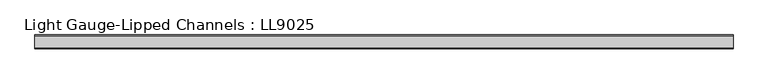
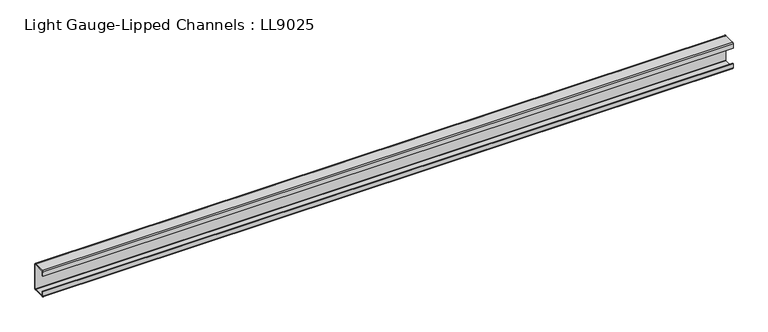
"""IFC4 building model written with IfcOpenShell, lengths in millimetres: beam geometry, Light Gauge-Lipped Channels : LL9025."""

from ifc_helpers import new_model, si_unit, point, frame, frame_2d, origin, place, context, project, spatial, polyline, circle_curve, trimmed, segment, composite_curve, outline, extrude, source, transform, mapped, element, save


def light_gauge_lipped_channels_ll9025_a7cbf48c(model_context):
    return source(origin(), model_context, "Body", "SweptSolid", [
        extrude(outline(composite_curve([segment(trimmed(circle_curve(frame_2d((14.7, -41.5)), 3.5), [point((18.2, -41.5))], [point((14.7, -45.0))], False, "CARTESIAN"), True, "CONTINUOUS"), segment(polyline([(14.7, -45.0), (-23.3, -45.0)]), True, "CONTINUOUS"), segment(trimmed(circle_curve(frame_2d((-23.3, -41.5)), 3.5), [point((-23.3, -45.0))], [point((-26.8, -41.5))], False, "CARTESIAN"), True, "CONTINUOUS"), segment(polyline([(-26.8, -41.5), (-26.8, -27.0), (-24.3, -27.0), (-24.3, -41.5)]), True, "CONTINUOUS"), segment(trimmed(circle_curve(frame_2d((-23.3, -41.5)), 1.0), [point((-24.3, -41.5))], [point((-23.3, -42.5))], True, "CARTESIAN"), True, "CONTINUOUS"), segment(polyline([(-23.3, -42.5), (14.7, -42.5)]), True, "CONTINUOUS"), segment(trimmed(circle_curve(frame_2d((14.7, -41.5)), 1.0), [point((14.7, -42.5))], [point((15.7, -41.5))], True, "CARTESIAN"), True, "CONTINUOUS"), segment(polyline([(15.7, -41.5), (15.7, 41.5)]), True, "CONTINUOUS"), segment(trimmed(circle_curve(frame_2d((14.7, 41.5)), 1.0), [point((15.7, 41.5))], [point((14.7, 42.5))], True, "CARTESIAN"), True, "CONTINUOUS"), segment(polyline([(14.7, 42.5), (-23.3, 42.5)]), True, "CONTINUOUS"), segment(trimmed(circle_curve(frame_2d((-23.3, 41.5)), 1.0), [point((-23.3, 42.5))], [point((-24.3, 41.5))], True, "CARTESIAN"), True, "CONTINUOUS"), segment(polyline([(-24.3, 41.5), (-24.3, 27.0), (-26.8, 27.0), (-26.8, 41.5)]), True, "CONTINUOUS"), segment(trimmed(circle_curve(frame_2d((-23.3, 41.5)), 3.5), [point((-26.8, 41.5))], [point((-23.3, 45.0))], False, "CARTESIAN"), True, "CONTINUOUS"), segment(polyline([(-23.3, 45.0), (14.7, 45.0)]), True, "CONTINUOUS"), segment(trimmed(circle_curve(frame_2d((14.7, 41.5)), 3.5), [point((14.7, 45.0))], [point((18.2, 41.5))], False, "CARTESIAN"), True, "CONTINUOUS"), segment(polyline([(18.2, 41.5), (18.2, -41.5)]), True, "CONTINUOUS")], self_intersect=False)), frame((-920.0, 0.0, 0.0), z_axis=(1.0, 0.0, 0.0), x_axis=(0.0, 1.0, 0.0)), (0.0, 0.0, 1.0), 2247.3333333),
    ])


if __name__ == "__main__":
    model = new_model("IFC4")
    model_context = context("Model", 3, world=origin())
    ifc_project = project(units=[si_unit("LENGTHUNIT", "METRE", prefix="MILLI")], contexts=[model_context])
    site = spatial("IfcSite", under=ifc_project)
    building = spatial("IfcBuilding", under=site)
    placement = place(None, origin())
    light_gauge_lipped_channels_ll9025_shape = light_gauge_lipped_channels_ll9025_a7cbf48c(model_context)
    element("IfcBeam", 1, ObjectType="Light Gauge-Lipped Channels : LL9025", at=placement, inside=building, context=model_context, shape_type="MappedRepresentation", body=[
        mapped(light_gauge_lipped_channels_ll9025_shape, transform((0.0, 0.0, 0.0), x_axis=(1.0, 0.0, 0.0), y_axis=(0.0, 1.0, 0.0), z_axis=(0.0, 0.0, 1.0))),
    ])
    save(model, "model.ifc")
